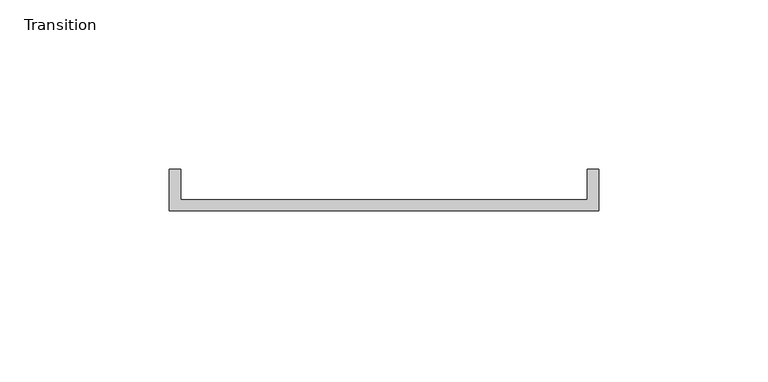
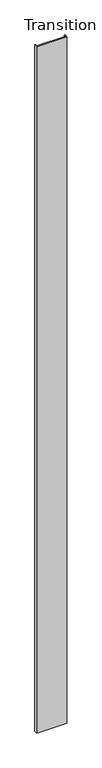
"""IFC4 building model written with IfcOpenShell, lengths in millimetres: furniture geometry, Transition."""

from ifc_helpers import new_model, si_unit, origin, origin_with_axes, place, context, project, spatial, polyline, outline, extrude, source, transform, mapped, element, save


def transition_3e2f36f3(model_context):
    return source(origin(), model_context, "Body", "SweptSolid", [
        extrude(outline(polyline([(-33.5228469, -16.6939338), (-30.0900294, -16.6939338), (-30.0900294, -25.773195), (90.0443357, -25.773195), (90.0443357, -16.6939338), (93.4771531, -16.6939338), (93.4771531, -28.948195), (-33.5228469, -28.948195), (-33.5228469, -16.6939338)])), origin_with_axes(), (0.0, 0.0, 1.0), 3048.0),
    ])


if __name__ == "__main__":
    model = new_model("IFC4")
    model_context = context("Model", 3, world=origin())
    ifc_project = project(units=[si_unit("LENGTHUNIT", "METRE", prefix="MILLI")], contexts=[model_context])
    site = spatial("IfcSite", under=ifc_project)
    building = spatial("IfcBuilding", under=site)
    placement = place(None, origin())
    transition_shape = transition_3e2f36f3(model_context)
    element("IfcFurniture", 1, ObjectType="Transition", at=placement, inside=building, context=model_context, shape_type="MappedRepresentation", body=[
        mapped(transition_shape, transform((0.0, 0.0, 0.0), x_axis=(1.0, 0.0, 0.0), y_axis=(0.0, 1.0, 0.0), z_axis=(0.0, 0.0, 1.0))),
    ])
    save(model, "model.ifc")
